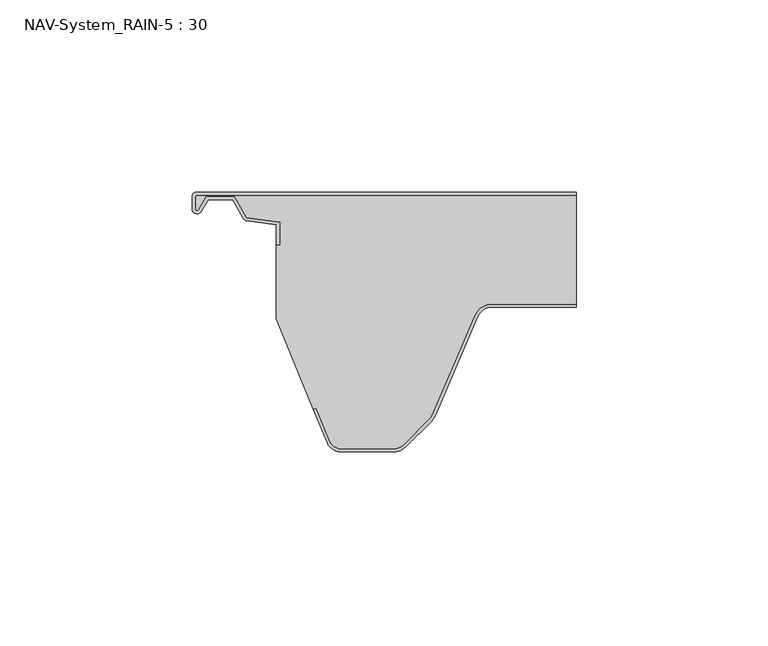
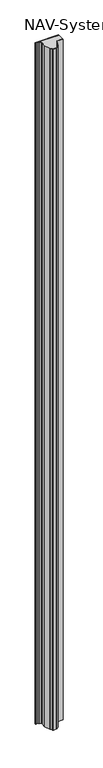
"""IFC4 building model written with IfcOpenShell, lengths in millimetres: plate geometry, NAV-System_RAIN-5 : 30."""

import ifcopenshell
import ifcopenshell.guid

model = None  # the IFC model being written
_history = None  # IfcOwnerHistory: only IFC2X3 demands one
_inside = {}  # id of a spatial element -> (the spatial element, [elements in it])
_under = {}  # id of a project, library or spatial element -> (it, [spatial elements below it])
_declared = {}  # id of a project -> (the project, [libraries it declares])
_typed = {}  # id of a type object -> (the type object, [elements of that type])
_made_of = {}  # id of a material, layer set ... -> (it, [elements and type objects made of it])


def new_model(schema):
    """Start an empty IFC model of exactly this schema.

    Asked for "IFC4X3", IfcOpenShell would pick the latest addendum, in which some entities
    have other attributes; the version numbers below select the first issue.
    IFC2X3 requires an IfcOwnerHistory on every rooted entity: one is made here for all.
    """
    global model, _history
    if schema == "IFC4X3":
        model = ifcopenshell.file(schema_version=(4, 3, 0, 0))
    else:
        model = ifcopenshell.file(schema=schema)
    _inside.clear()
    _under.clear()
    _declared.clear()
    _typed.clear()
    _made_of.clear()
    _history = None
    if model.schema == "IFC2X3":
        org = make("IfcOrganization", Name="unknown")
        user = make(
            "IfcPersonAndOrganization",
            ThePerson=make("IfcPerson", FamilyName="unknown"),
            TheOrganization=org,
        )
        app = make(
            "IfcApplication",
            ApplicationDeveloper=org,
            Version="unknown",
            ApplicationFullName="unknown",
            ApplicationIdentifier="unknown",
        )
        _history = make(
            "IfcOwnerHistory",
            OwningUser=user,
            OwningApplication=app,
            ChangeAction="ADDED",
            CreationDate=0,
        )
    return model


def make(cls, **values):
    """One entity of the class cls with the attributes given. An attribute that is None is left unset."""
    return model.create_entity(
        cls, **{name: value for name, value in values.items() if value is not None}
    )


def rooted(cls, **values):
    """An entity with a GlobalId (a new one), such as an element, a storey or a relation."""
    return make(cls, GlobalId=ifcopenshell.guid.new(), OwnerHistory=_history, **values)


def si_unit(unit_type, name, prefix=None):
    """IfcSIUnit, for example si_unit("LENGTHUNIT", "METRE", prefix="MILLI")."""
    return make("IfcSIUnit", UnitType=unit_type, Prefix=prefix, Name=name)


def assignment(units):
    """IfcUnitAssignment: the units of a project."""
    return None if units is None else make("IfcUnitAssignment", Units=units)


def point(xyz):
    """IfcCartesianPoint."""
    return None if xyz is None else make("IfcCartesianPoint", Coordinates=xyz)


def direction(xyz):
    """IfcDirection."""
    return None if xyz is None else make("IfcDirection", DirectionRatios=xyz)


def frame(location, z_axis=None, x_axis=None):
    """IfcAxis2Placement3D, a coordinate frame: its origin and axes. An axis left out is left unset."""
    return make(
        "IfcAxis2Placement3D",
        Location=point(location),
        Axis=direction(z_axis),
        RefDirection=direction(x_axis),
    )


def frame_2d(location, x_axis=None):
    """IfcAxis2Placement2D, a coordinate frame in the plane: its origin and x axis."""
    return make(
        "IfcAxis2Placement2D", Location=point(location), RefDirection=direction(x_axis)
    )


def origin():
    """The frame at (0, 0, 0) with its axes left unset."""
    return frame((0.0, 0.0, 0.0))


def origin_with_axes():
    """The frame at (0, 0, 0) with the z axis (0, 0, 1) and the x axis (1, 0, 0) written out."""
    return frame((0.0, 0.0, 0.0), z_axis=(0.0, 0.0, 1.0), x_axis=(1.0, 0.0, 0.0))


def place(relative_to, where):
    """IfcLocalPlacement: puts the frame where relative to a parent placement (None: the world)."""
    return make(
        "IfcLocalPlacement", PlacementRelTo=relative_to, RelativePlacement=where
    )


def context(
    kind, dimensions, precision=None, world=None, true_north=None, identifier=None
):
    """IfcGeometricRepresentationContext, for example the 3D "Model" context."""
    return make(
        "IfcGeometricRepresentationContext",
        ContextIdentifier=identifier,
        ContextType=kind,
        CoordinateSpaceDimension=dimensions,
        Precision=precision,
        WorldCoordinateSystem=world,
        TrueNorth=true_north,
    )


def project(units=None, contexts=None):
    """IfcProject with its units and contexts."""
    return rooted(
        "IfcProject",
        Name="project",
        RepresentationContexts=contexts,
        UnitsInContext=assignment(units),
    )


def spatial(cls, under=None, at=None, **own):
    """A site, building, storey or space (cls), placed at a placement, below another one or the project."""
    s = rooted(cls, ObjectPlacement=at, **own)
    if under is not None:
        _under.setdefault(under.id(), (under, []))[1].append(s)
    return s


def polyline(points):
    """IfcPolyline through the points."""
    return make("IfcPolyline", Points=[point(p) for p in points])


def circle_curve(where, radius):
    """IfcCircle in the frame where."""
    return make("IfcCircle", Position=where, Radius=radius)


def trimmed(basis, trim1, trim2, sense, master):
    """IfcTrimmedCurve: the piece of a basis curve between two trims."""
    return make(
        "IfcTrimmedCurve",
        BasisCurve=basis,
        Trim1=trim1,
        Trim2=trim2,
        SenseAgreement=sense,
        MasterRepresentation=master,
    )


def segment(curve, same_sense, transition):
    """IfcCompositeCurveSegment."""
    return make(
        "IfcCompositeCurveSegment",
        Transition=transition,
        SameSense=same_sense,
        ParentCurve=curve,
    )


def composite_curve(segments, self_intersect=None):
    """IfcCompositeCurve: segments joined end to end."""
    return make("IfcCompositeCurve", Segments=segments, SelfIntersect=self_intersect)


def outline(outer, holes=None, kind="AREA"):
    """IfcArbitraryClosedProfileDef: a profile drawn as a closed curve; with holes, ...WithVoids."""
    if holes is None:
        return make("IfcArbitraryClosedProfileDef", ProfileType=kind, OuterCurve=outer)
    return make(
        "IfcArbitraryProfileDefWithVoids",
        ProfileType=kind,
        OuterCurve=outer,
        InnerCurves=holes,
    )


def extrude(swept, where, along, depth):
    """IfcExtrudedAreaSolid: the profile swept, set in the frame where, extruded along a direction by depth."""
    return make(
        "IfcExtrudedAreaSolid",
        SweptArea=swept,
        Position=where,
        ExtrudedDirection=direction(along),
        Depth=depth,
    )


def shape(context_of_items, identifier, shape_type, items):
    """IfcShapeRepresentation: the items that make up one representation, for example the "Body"."""
    return make(
        "IfcShapeRepresentation",
        ContextOfItems=context_of_items,
        RepresentationIdentifier=identifier,
        RepresentationType=shape_type,
        Items=items,
    )


def source(mapping_origin, context_of_items, identifier, shape_type, items):
    """IfcRepresentationMap: a shape defined once, which mapped items show again and again."""
    return make(
        "IfcRepresentationMap",
        MappingOrigin=mapping_origin,
        MappedRepresentation=shape(context_of_items, identifier, shape_type, items),
    )


def transform(
    local_origin,
    x_axis=None,
    y_axis=None,
    z_axis=None,
    scale=None,
    scale2=None,
    scale3=None,
    uniform=True,
):
    """IfcCartesianTransformationOperator3D, or its non-uniform kind. x_axis, y_axis, z_axis: its Axis1, 2, 3."""
    if uniform:
        return make(
            "IfcCartesianTransformationOperator3D",
            Axis1=direction(x_axis),
            Axis2=direction(y_axis),
            LocalOrigin=point(local_origin),
            Scale=scale,
            Axis3=direction(z_axis),
        )
    return make(
        "IfcCartesianTransformationOperator3DnonUniform",
        Axis1=direction(x_axis),
        Axis2=direction(y_axis),
        LocalOrigin=point(local_origin),
        Scale=scale,
        Axis3=direction(z_axis),
        Scale2=scale2,
        Scale3=scale3,
    )


def mapped(mapping_source, mapping_target):
    """IfcMappedItem: shows the shape of a source again, moved by a transform."""
    return make(
        "IfcMappedItem", MappingSource=mapping_source, MappingTarget=mapping_target
    )


def made_of(thing, what):
    """Note that an element or type object is made of a material, layer set ...; save() writes the relation."""
    if what is not None:
        _made_of.setdefault(what.id(), (what, []))[1].append(thing)
    return thing


def element(
    cls,
    number,
    at=None,
    inside=None,
    cuts=None,
    type_object=None,
    material=None,
    context=None,
    identifier="Body",
    shape_type=None,
    held_by="IfcProductDefinitionShape",
    body=None,
    shapes=None,
    **own,
):
    """One element of the class cls, such as IfcWall. Its Tag is "e" and its number.

    at: its placement. inside: the storey or other place that contains it. cuts: it is an
    opening in that element (IfcRelVoidsElement). A single representation is given by context,
    identifier, shape_type and body (its items); several are given by shapes. held_by: the class
    of the entity that holds the representations. save() writes the other relations.
    """
    e = rooted(cls, Tag="e%d" % number, ObjectPlacement=at, **own)
    if body is not None:
        shapes = [shape(context, identifier, shape_type, body)]
    if shapes is not None:
        e.Representation = make(held_by, Representations=shapes)
    if inside is not None:
        _inside.setdefault(inside.id(), (inside, []))[1].append(e)
    if cuts is not None:
        rooted(
            "IfcRelVoidsElement", RelatingBuildingElement=cuts, RelatedOpeningElement=e
        )
    if type_object is not None:
        _typed.setdefault(type_object.id(), (type_object, []))[1].append(e)
    return made_of(e, material)


def aggregate(whole, parts):
    """IfcRelAggregates: a whole, such as a stair, and the parts it consists of."""
    return rooted("IfcRelAggregates", RelatingObject=whole, RelatedObjects=parts)


def save(model, path):
    """Write the relations noted so far, then the file.

    IfcRelAggregates (storeys below a building ...), IfcRelContainedInSpatialStructure (elements
    in a storey), IfcRelDefinesByType, IfcRelAssociatesMaterial and IfcRelDeclares: one each for
    every whole, place, type object, material and project.
    """
    for whole, parts in _under.values():
        aggregate(whole, parts)
    for where, things in _inside.values():
        rooted(
            "IfcRelContainedInSpatialStructure",
            RelatedElements=things,
            RelatingStructure=where,
        )
    for kind, things in _typed.values():
        rooted("IfcRelDefinesByType", RelatedObjects=things, RelatingType=kind)
    for what, things in _made_of.values():
        rooted("IfcRelAssociatesMaterial", RelatedObjects=things, RelatingMaterial=what)
    for by, libraries in _declared.values():
        rooted("IfcRelDeclares", RelatingContext=by, RelatedDefinitions=libraries)
    model.write(path)


def nav_system_rain_5_30_4f2b3e1a(model_context):
    return source(origin(), model_context, "Body", "SweptSolid", [
        extrude(outline(composite_curve([segment(trimmed(circle_curve(frame_2d((-48.7, -1.3)), 0.5), [point((-48.7, -0.8))], [point((-49.2, -1.3))], True, "CARTESIAN"), True, "CONTINUOUS"), segment(polyline([(-49.2, -1.3), (-49.2, -4.3700191)]), True, "CONTINUOUS"), segment(trimmed(circle_curve(frame_2d((-48.7, -4.3700191)), 0.5), [point((-49.2, -4.3700191))], [point((-48.2669873, -4.6200191))], True, "CARTESIAN"), True, "CONTINUOUS"), segment(polyline([(-48.2669873, -4.6200191), (-46.2924383, -1.2), (-38.9841833, -1.2), (-35.8164586, -6.6866602), (-27.2, -7.898332), (-27.2, -13.6767555), (-28.0, -13.6767555), (-28.0, -8.5937048), (-35.6863953, -7.5128213)]), True, "CONTINUOUS"), segment(trimmed(circle_curve(frame_2d((-35.5053666, -6.2254873)), 1.3), [point((-35.6863953, -7.5128213))], [point((-36.6311996, -6.8754873))], False, "CARTESIAN"), True, "CONTINUOUS"), segment(polyline([(-36.6311996, -6.8754873), (-39.4460636, -2.0), (-45.8305581, -2.0), (-47.574167, -5.0200191)]), True, "CONTINUOUS"), segment(trimmed(circle_curve(frame_2d((-48.7, -4.3700191)), 1.3), [point((-47.574167, -5.0200191))], [point((-50.0, -4.3700191))], False, "CARTESIAN"), True, "CONTINUOUS"), segment(polyline([(-50.0, -4.3700191), (-50.0, -1.3)]), True, "CONTINUOUS"), segment(trimmed(circle_curve(frame_2d((-48.7, -1.3)), 1.3), [point((-50.0, -1.3))], [point((-48.7, 0.0))], False, "CARTESIAN"), True, "CONTINUOUS"), segment(polyline([(-48.7, 0.0), (50.0, 0.0), (50.0, -0.8), (-48.7, -0.8)]), True, "CONTINUOUS")], self_intersect=False)), origin_with_axes(), (0.0, 0.0, 1.0), 3000.0),
        extrude(outline(composite_curve([segment(trimmed(circle_curve(frame_2d((28.0709249, -34.0)), 4.8), [point((28.0709249, -29.2))], [point((23.6607271, -32.1052295))], True, "CARTESIAN"), True, "CONTINUOUS"), segment(polyline([(23.6607271, -32.1052295), (12.5754349, -57.9069459)]), True, "CONTINUOUS"), segment(trimmed(circle_curve(frame_2d((8.7165118, -56.2490217)), 4.2), [point((12.5754349, -57.9069459))], [point((11.6863603, -59.2188701))], False, "CARTESIAN"), True, "CONTINUOUS"), segment(polyline([(11.6863603, -59.2188701), (5.235382, -65.6698485)]), True, "CONTINUOUS"), segment(trimmed(circle_curve(frame_2d((2.2655335, -62.7)), 4.2), [point((5.235382, -65.6698485))], [point((2.2655335, -66.9))], False, "CARTESIAN"), True, "CONTINUOUS"), segment(polyline([(2.2655335, -66.9), (-11.1405186, -66.9)]), True, "CONTINUOUS"), segment(trimmed(circle_curve(frame_2d((-11.1405186, -63.7)), 3.2), [point((-11.1405186, -66.9))], [point((-14.1022482, -64.9116756))], False, "CARTESIAN"), True, "CONTINUOUS"), segment(polyline([(-14.1022482, -64.9116756), (-17.6292254, -56.2905951), (-18.3696578, -56.593514), (-28.0, -33.053822), (-28.0, -13.6767555), (-27.2, -13.6767555), (-27.2, -7.898332), (-35.8164586, -6.6866602), (-38.9841833, -1.2), (-46.2924383, -1.2), (-48.2669873, -4.6200191)]), True, "CONTINUOUS"), segment(trimmed(circle_curve(frame_2d((-48.7, -4.3700191)), 0.5), [point((-48.2669873, -4.6200191))], [point((-49.2, -4.3700191))], False, "CARTESIAN"), True, "CONTINUOUS"), segment(polyline([(-49.2, -4.3700191), (-49.2, -1.3)]), True, "CONTINUOUS"), segment(trimmed(circle_curve(frame_2d((-48.7, -1.3)), 0.5), [point((-49.2, -1.3))], [point((-48.7, -0.8))], False, "CARTESIAN"), True, "CONTINUOUS"), segment(polyline([(-48.7, -0.8), (50.0, -0.8), (50.0, -29.2), (28.0709249, -29.2)]), True, "CONTINUOUS")], self_intersect=False)), origin_with_axes(), (0.0, 0.0, 1.0), 3000.0),
        extrude(outline(composite_curve([segment(polyline([(-14.8430228, -65.2145945), (-18.37, -56.593514), (-17.6295676, -56.2905951), (-14.1025904, -64.9116756)]), True, "CONTINUOUS"), segment(trimmed(circle_curve(frame_2d((-11.1408608, -63.7)), 3.2), [point((-14.1025904, -64.9116756))], [point((-11.1408608, -66.9))], True, "CARTESIAN"), True, "CONTINUOUS"), segment(polyline([(-11.1408608, -66.9), (2.2651913, -66.9)]), True, "CONTINUOUS"), segment(trimmed(circle_curve(frame_2d((2.2651913, -62.7)), 4.2), [point((2.2651913, -66.9))], [point((5.2350397, -65.6698485))], True, "CARTESIAN"), True, "CONTINUOUS"), segment(polyline([(5.2350397, -65.6698485), (11.6860181, -59.2188701)]), True, "CONTINUOUS"), segment(trimmed(circle_curve(frame_2d((8.7161696, -56.2490217)), 4.2), [point((11.6860181, -59.2188701))], [point((12.5750927, -57.9069459))], True, "CARTESIAN"), True, "CONTINUOUS"), segment(polyline([(12.5750927, -57.9069459), (23.6603849, -32.1052295)]), True, "CONTINUOUS"), segment(trimmed(circle_curve(frame_2d((28.0705827, -34.0)), 4.8), [point((23.6603849, -32.1052295))], [point((28.0705827, -29.2))], False, "CARTESIAN"), True, "CONTINUOUS"), segment(polyline([(28.0705827, -29.2), (50.0, -29.2), (50.0, -30.0), (28.0705827, -30.0)]), True, "CONTINUOUS"), segment(trimmed(circle_curve(frame_2d((28.0705827, -34.0)), 4.0), [point((28.0705827, -30.0))], [point((24.3954178, -32.4210246))], True, "CARTESIAN"), True, "CONTINUOUS"), segment(polyline([(24.3954178, -32.4210246), (13.3101256, -58.2227409)]), True, "CONTINUOUS"), segment(trimmed(circle_curve(frame_2d((8.7161696, -56.2490217)), 5.0), [point((13.3101256, -58.2227409))], [point((12.2517035, -59.7845556))], False, "CARTESIAN"), True, "CONTINUOUS"), segment(polyline([(12.2517035, -59.7845556), (5.8007252, -66.2355339)]), True, "CONTINUOUS"), segment(trimmed(circle_curve(frame_2d((2.2651913, -62.7)), 5.0), [point((5.8007252, -66.2355339))], [point((2.2651913, -67.7))], False, "CARTESIAN"), True, "CONTINUOUS"), segment(polyline([(2.2651913, -67.7), (-11.1408608, -67.7)]), True, "CONTINUOUS"), segment(trimmed(circle_curve(frame_2d((-11.1408608, -63.7)), 4.0), [point((-11.1408608, -67.7))], [point((-14.8430228, -65.2145945))], False, "CARTESIAN"), True, "CONTINUOUS")], self_intersect=False)), origin_with_axes(), (0.0, 0.0, 1.0), 3000.0),
    ])


if __name__ == "__main__":
    model = new_model("IFC4")
    model_context = context("Model", 3, world=origin())
    ifc_project = project(units=[si_unit("LENGTHUNIT", "METRE", prefix="MILLI")], contexts=[model_context])
    site = spatial("IfcSite", under=ifc_project)
    building = spatial("IfcBuilding", under=site)
    placement = place(None, origin())
    nav_system_rain_5_30_shape = nav_system_rain_5_30_4f2b3e1a(model_context)
    element("IfcPlate", 1, ObjectType="NAV-System_RAIN-5 : 30", at=placement, inside=building, context=model_context, shape_type="MappedRepresentation", body=[
        mapped(nav_system_rain_5_30_shape, transform((0.0, 0.0, 0.0), x_axis=(1.0, 0.0, 0.0), y_axis=(0.0, 1.0, 0.0), z_axis=(0.0, 0.0, 1.0))),
    ])
    save(model, "model.ifc")
